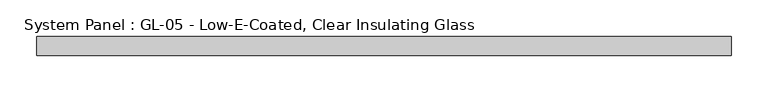
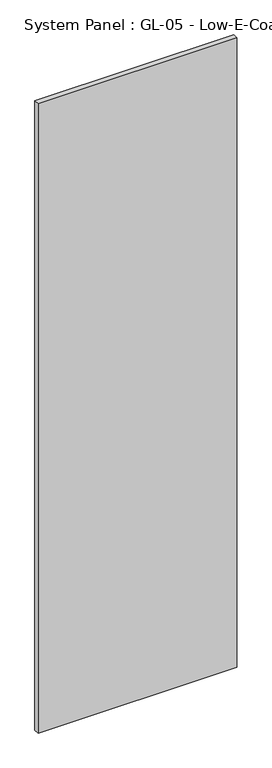
"""IFC4 building model written with IfcOpenShell, lengths in millimetres: plate geometry, System Panel : GL-05 - Low-E-Coated, Clear Insulating Glass."""

from ifc_helpers import new_model, si_unit, origin, origin_with_axes, place, context, project, spatial, polyline, outline, extrude, source, transform, mapped, element, save


def system_panel_gl_05_low_e_coated_clear_insulating_glass_13f14dc2(model_context):
    return source(origin(), model_context, "Body", "SweptSolid", [
        extrude(outline(polyline([(469.9, -12.7), (-469.9, -12.7), (-469.9, 12.7), (469.9, 12.7), (469.9, -12.7)])), origin_with_axes(), (0.0, 0.0, 1.0), 3143.25),
    ])


if __name__ == "__main__":
    model = new_model("IFC4")
    model_context = context("Model", 3, world=origin())
    ifc_project = project(units=[si_unit("LENGTHUNIT", "METRE", prefix="MILLI")], contexts=[model_context])
    site = spatial("IfcSite", under=ifc_project)
    building = spatial("IfcBuilding", under=site)
    placement = place(None, origin())
    system_panel_gl_05_low_e_coated_clear_insulating_glass_shape = system_panel_gl_05_low_e_coated_clear_insulating_glass_13f14dc2(model_context)
    element("IfcPlate", 1, ObjectType="System Panel : GL-05 - Low-E-Coated, Clear Insulating Glass", at=placement, inside=building, context=model_context, shape_type="MappedRepresentation", body=[
        mapped(system_panel_gl_05_low_e_coated_clear_insulating_glass_shape, transform((0.0, 0.0, 0.0), x_axis=(1.0, 0.0, 0.0), y_axis=(0.0, 1.0, 0.0), z_axis=(0.0, 0.0, 1.0))),
    ])
    save(model, "model.ifc")
